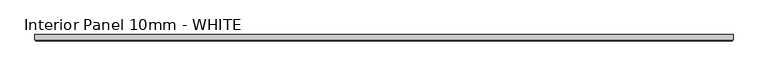
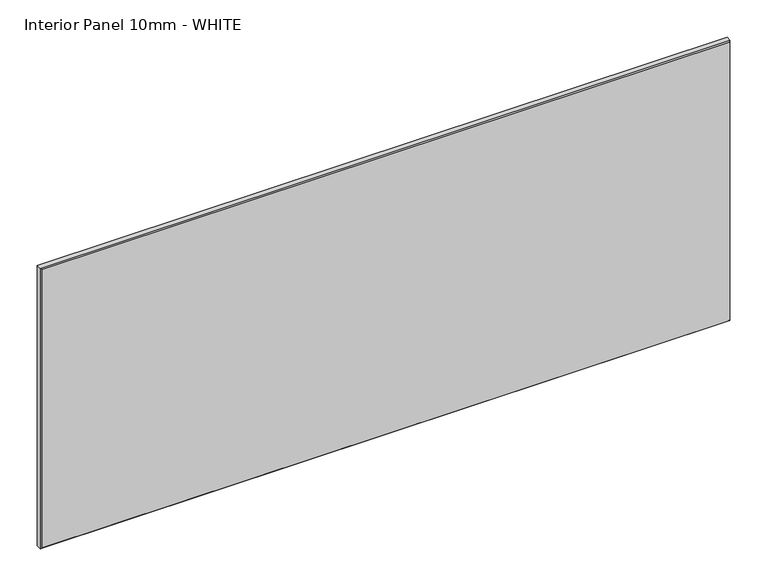
"""IFC4 building model written with IfcOpenShell, lengths in millimetres: proxy geometry, Interior Panel 10mm - WHITE."""

from ifc_helpers import new_model, si_unit, origin, place, context, project, spatial, faceted_brep, source, transform, mapped, element, save


def interior_panel_10mm_white_b5d38eaa(model_context):
    return source(origin(), model_context, "Body", "Brep", [
        faceted_brep([(990.6, 3.175, 457.2), (-73.025, 3.175, 457.2), (-73.025, -4.7625, 457.2), (990.6, -4.7625, 457.2), (990.6, 3.175, 0.0), (990.6, -4.7625, 0.0), (-73.025, -4.7625, 0.0), (-73.025, 3.175, 0.0), (-71.4375, -6.35, 455.6125), (-71.4375, -6.35, 1.5875), (989.0125, -6.35, 1.5875), (989.0125, -6.35, 455.6125)], [[[0, 1, 2, 3]], [[4, 5, 6, 7]], [[1, 0, 4, 7]], [[2, 1, 7, 6]], [[8, 9, 10, 11]], [[0, 3, 5, 4]], [[2, 6, 9, 8]], [[5, 3, 11, 10]], [[3, 2, 8, 11]], [[6, 5, 10, 9]]]),
    ])


if __name__ == "__main__":
    model = new_model("IFC4")
    model_context = context("Model", 3, world=origin())
    ifc_project = project(units=[si_unit("LENGTHUNIT", "METRE", prefix="MILLI")], contexts=[model_context])
    site = spatial("IfcSite", under=ifc_project)
    building = spatial("IfcBuilding", under=site)
    placement = place(None, origin())
    interior_panel_10mm_white_shape = interior_panel_10mm_white_b5d38eaa(model_context)
    element("IfcBuildingElementProxy", 1, Name="Interior Panel 10mm - WHITE", ObjectType="Interior Panel 10mm - WHITE", at=placement, inside=building, context=model_context, shape_type="MappedRepresentation", body=[
        mapped(interior_panel_10mm_white_shape, transform((0.0, 0.0, 0.0), x_axis=(1.0, 0.0, 0.0), y_axis=(0.0, 1.0, 0.0), z_axis=(0.0, 0.0, 1.0))),
    ])
    save(model, "model.ifc")
